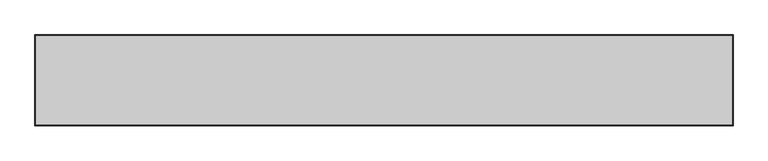
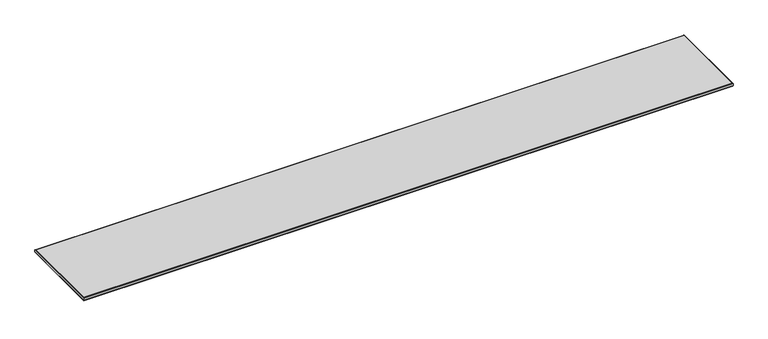
"""IFC4 building model written with IfcOpenShell, lengths in millimetres: furniture geometry."""

from ifc_helpers import new_model, si_unit, frame, origin, place, context, project, spatial, polyline, outline, extrude, faceted_brep, source, transform, mapped, element, save


def furniture_b5a2b751(model_context):
    return source(origin(), model_context, "Body", "SolidModel", [
        faceted_brep([(2437.8142073, 19.7166075, 1043.3885283), (2436.3934, 18.2958003, 1042.8000114), (2.0066, 18.2958003, 1042.8000114), (0.5857927, 19.7166075, 1043.3885283), (2438.4, 20.3024003, 1044.8027589), (0.0, 20.3024003, 1044.8027589), (2438.4, 20.3024003, 1054.8000057), (0.0, 20.3024003, 1054.8000057), (2436.3934, 18.2958003, 1054.8000057), (2.0066, 18.2958003, 1054.8000057), (2.0066, -212.5041983, 1042.8000114), (0.5857927, -213.9250056, 1043.3885283), (0.0, -214.5107983, 1044.8027589), (0.0, -214.5107983, 1054.8000057), (2.0066, -212.5041983, 1054.8000057), (2436.3934, -212.5041983, 1042.8000114), (2437.8142073, -213.9250056, 1043.3885283), (2438.4, -214.5107983, 1044.8027589), (2438.4, -214.5107983, 1054.8000057), (2436.3934, -212.5041983, 1054.8000057)], [[[0, 1, 2, 3]], [[4, 0, 3, 5]], [[6, 4, 5, 7]], [[1, 8, 9, 2]], [[3, 2, 10, 11]], [[5, 3, 11, 12]], [[7, 5, 12, 13]], [[2, 9, 14, 10]], [[11, 10, 15, 16]], [[12, 11, 16, 17]], [[13, 12, 17, 18]], [[10, 14, 19, 15]], [[16, 15, 1, 0]], [[17, 16, 0, 4]], [[18, 17, 4, 6]], [[7, 13, 18, 6], [8, 19, 14, 9]], [[15, 19, 8, 1]]]),
        extrude(outline(polyline([(2436.3934, 18.2958003), (2436.3934, -212.5041983), (2.0066, -212.5041983), (2.0066, 18.2958003), (2436.3934, 18.2958003)])), frame((0.0, 0.0, 1042.8000114), z_axis=(0.0, 0.0, 1.0), x_axis=(1.0, 0.0, 0.0)), (0.0, 0.0, 1.0), 11.9999943),
        faceted_brep([(2463.0542364, 73.7600281, 1055.3857985), (2461.6400059, 72.3457976, 1054.8000057), (-23.3934, 72.3457976, 1054.8000057), (-24.8076305, 73.7600281, 1055.3857985), (2463.6400291, 74.3458208, 1056.800029), (-25.3934233, 74.3458208, 1056.800029), (2463.6400291, 74.3458208, 1064.7999767), (-25.3934233, 74.3458208, 1064.7999767), (2463.0542364, 73.7600281, 1066.2142073), (-24.8076305, 73.7600281, 1066.2142073), (2461.6400059, 72.3457976, 1066.8030114), (-23.3934, 72.3457976, 1066.8030114), (-23.3934, -247.5042058, 1054.8000057), (-24.8076305, -248.9184364, 1055.3857985), (-25.3934233, -249.5042291, 1056.800029), (-25.3934233, -249.5042291, 1064.7999767), (-24.8076305, -248.9184364, 1066.2142073), (-23.3934, -247.5042058, 1066.8030114), (2461.6400059, -247.5042058, 1054.8000057), (2463.0542364, -248.9184364, 1055.3857985), (2463.6400291, -249.5042291, 1056.800029), (2463.6400291, -249.5042291, 1064.7999767), (2463.0542364, -248.9184364, 1066.2142073), (2461.6400059, -247.5042058, 1066.8030114)], [[[0, 1, 2, 3]], [[4, 0, 3, 5]], [[6, 4, 5, 7]], [[8, 6, 7, 9]], [[10, 8, 9, 11]], [[1, 10, 11, 2]], [[3, 2, 12, 13]], [[5, 3, 13, 14]], [[7, 5, 14, 15]], [[9, 7, 15, 16]], [[11, 9, 16, 17]], [[2, 11, 17, 12]], [[13, 12, 18, 19]], [[14, 13, 19, 20]], [[15, 14, 20, 21]], [[16, 15, 21, 22]], [[17, 16, 22, 23]], [[12, 17, 23, 18]], [[19, 18, 1, 0]], [[20, 19, 0, 4]], [[21, 20, 4, 6]], [[22, 21, 6, 8]], [[23, 22, 8, 10]], [[18, 23, 10, 1]]]),
        extrude(outline(polyline([(2461.6400059, 72.3457976), (2461.6400059, -247.5042058), (-23.3934, -247.5042058), (-23.3934, 72.3457976), (2461.6400059, 72.3457976)])), frame((0.0, 0.0, 1054.8000057), z_axis=(0.0, 0.0, 1.0), x_axis=(1.0, 0.0, 0.0)), (0.0, 0.0, 1.0), 12.0030057),
    ])


if __name__ == "__main__":
    model = new_model("IFC4")
    model_context = context("Model", 3, world=origin())
    ifc_project = project(units=[si_unit("LENGTHUNIT", "METRE", prefix="MILLI")], contexts=[model_context])
    site = spatial("IfcSite", under=ifc_project)
    building = spatial("IfcBuilding", under=site)
    placement = place(None, origin())
    furniture_shape = furniture_b5a2b751(model_context)
    element("IfcFurniture", 1, at=placement, inside=building, context=model_context, shape_type="MappedRepresentation", body=[
        mapped(furniture_shape, transform((0.0, 0.0, 0.0), x_axis=(1.0, 0.0, 0.0), y_axis=(0.0, 1.0, 0.0), z_axis=(0.0, 0.0, 1.0))),
    ])
    save(model, "model.ifc")
